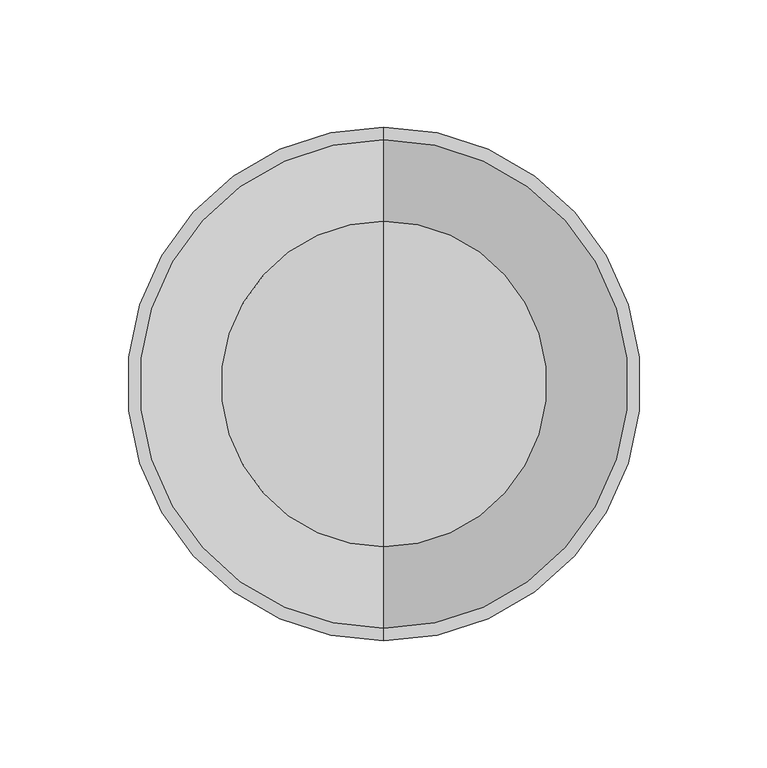
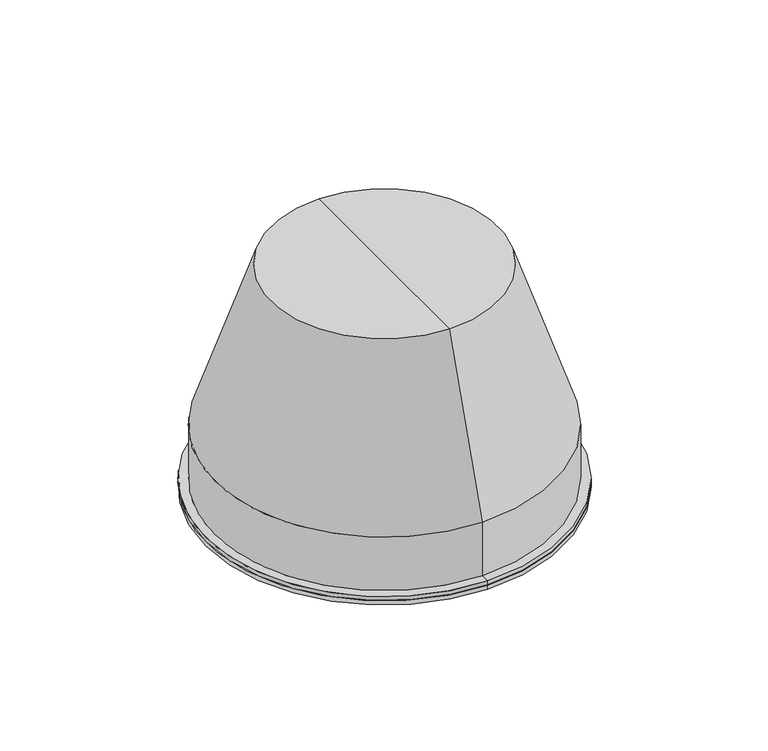
"""IFC4 building model written with IfcOpenShell, lengths in millimetres: light fixture geometry."""

from ifc_helpers import new_model, si_unit, frame, origin, place, context, project, spatial, polyline, circle_curve, source, transform, mapped, element, save
from ifc_brep_helpers import plane_surface, cylinder_surface, revolved_surface, advanced_brep


def light_fixture_1cf63488(model_context):
    return source(origin(), model_context, "Body", "AdvancedBrep", [
        advanced_brep(
        [(0.0, 0.0, -5.0), (0.0, 101.0, -5.0), (0.0, -101.0, -5.0), (0.0, -101.0, -2.5), (0.0, 101.0, -2.5), (0.0, 0.0, -2.5)],
        [
            (0, 1),
            (1, 2, circle_curve(frame((0.0, 0.0, -5.0), z_axis=(0.0, 0.0, -1.0), x_axis=(0.0, 1.0, 0.0)), 101.0)),
            (2, 0),
            (2, 1, circle_curve(frame((0.0, 0.0, -5.0), z_axis=(0.0, 0.0, -1.0), x_axis=(0.0, 1.0, 0.0)), 101.0)),
            (3, 4, circle_curve(frame((0.0, 0.0, -2.5), z_axis=(0.0, 0.0, 1.0), x_axis=(0.0, 1.0, 0.0)), 101.0)),
            (4, 5),
            (5, 3),
            (4, 3, circle_curve(frame((0.0, 0.0, -2.5), z_axis=(0.0, 0.0, 1.0), x_axis=(0.0, 1.0, 0.0)), 101.0)),
            (1, 4),
            (3, 2),
        ],
        [
            plane_surface(frame((0.0, 0.0, -5.0), z_axis=(0.0, 0.0, -1.0), x_axis=(0.0, 1.0, 0.0))),
            plane_surface(frame((0.0, 0.0, -2.5), z_axis=(0.0, 0.0, 1.0), x_axis=(0.0, 1.0, 0.0))),
            cylinder_surface(frame((0.0, 0.0, 577.2817465), z_axis=(0.0, 0.0, -1.0), x_axis=(0.0, 1.0, 0.0)), 101.0),
        ],
        [
            (0, [[1, 2, 3]]),
            (0, [[-3, 4, -1]]),
            (1, [[5, 6, 7]]),
            (1, [[8, -7, -6]]),
            (2, [[-2, 9, -5, 10]]),
            (2, [[-4, -10, -8, -9]]),
        ],
    ),
        advanced_brep(
        [(0.0, 0.0, 128.0), (0.0, -64.0, 128.0), (0.0, 64.0, 128.0), (0.0, 101.0, -2.5), (0.0, -101.0, -2.5), (0.0, -93.5, -2.5), (0.0, 93.5, -2.5), (0.0, 101.0, 0.0), (0.0, -101.0, 0.0), (0.0, 96.0, 0.0), (0.0, -96.0, 0.0), (0.0, 96.0, 32.0), (0.0, -96.0, 32.0), (0.0, 62.0704413, 125.5), (0.0, -62.0704413, 125.5), (0.0, 0.0, 125.5), (0.0, 93.5, 31.6780485), (0.0, -93.5, 31.6780485)],
        [
            (0, 1),
            (1, 2, circle_curve(frame((0.0, 0.0, 128.0), z_axis=(0.0, 0.0, 1.0), x_axis=(0.0, -1.0, 0.0)), 64.0)),
            (2, 0),
            (2, 1, circle_curve(frame((0.0, 0.0, 128.0), z_axis=(0.0, 0.0, 1.0), x_axis=(0.0, -1.0, 0.0)), 64.0)),
            (3, 4, circle_curve(frame((0.0, 0.0, -2.5), z_axis=(0.0, 0.0, -1.0), x_axis=(0.0, -1.0, 0.0)), 101.0)),
            (4, 5),
            (5, 6, circle_curve(frame((0.0, 0.0, -2.5), z_axis=(0.0, 0.0, 1.0), x_axis=(0.0, -1.0, 0.0)), 93.5)),
            (6, 3),
            (4, 3, circle_curve(frame((0.0, 0.0, -2.5), z_axis=(0.0, 0.0, -1.0), x_axis=(0.0, -1.0, 0.0)), 101.0)),
            (6, 5, circle_curve(frame((0.0, 0.0, -2.5), z_axis=(0.0, 0.0, 1.0), x_axis=(0.0, -1.0, 0.0)), 93.5)),
            (7, 8, circle_curve(frame((0.0, 0.0, 0.0), z_axis=(0.0, 0.0, -1.0), x_axis=(0.0, -1.0, 0.0)), 101.0)),
            (8, 4),
            (3, 7),
            (8, 7, circle_curve(frame((0.0, 0.0, 0.0), z_axis=(0.0, 0.0, -1.0), x_axis=(0.0, -1.0, 0.0)), 101.0)),
            (9, 10, circle_curve(frame((0.0, 0.0, 0.0), z_axis=(0.0, 0.0, -1.0), x_axis=(0.0, -1.0, 0.0)), 96.0)),
            (10, 8),
            (7, 9),
            (10, 9, circle_curve(frame((0.0, 0.0, 0.0), z_axis=(0.0, 0.0, -1.0), x_axis=(0.0, -1.0, 0.0)), 96.0)),
            (11, 12, circle_curve(frame((0.0, 0.0, 32.0), z_axis=(0.0, 0.0, -1.0), x_axis=(0.0, -1.0, 0.0)), 96.0)),
            (12, 10),
            (9, 11),
            (12, 11, circle_curve(frame((0.0, 0.0, 32.0), z_axis=(0.0, 0.0, -1.0), x_axis=(0.0, -1.0, 0.0)), 96.0)),
            (1, 12),
            (11, 2),
            (13, 14, circle_curve(frame((0.0, 0.0, 125.5), z_axis=(0.0, 0.0, -1.0), x_axis=(0.0, -1.0, 0.0)), 62.0704413)),
            (14, 15),
            (15, 13),
            (14, 13, circle_curve(frame((0.0, 0.0, 125.5), z_axis=(0.0, 0.0, -1.0), x_axis=(0.0, -1.0, 0.0)), 62.0704413)),
            (16, 17, circle_curve(frame((0.0, 0.0, 31.6780485), z_axis=(0.0, 0.0, -1.0), x_axis=(0.0, -1.0, 0.0)), 93.5)),
            (17, 14),
            (13, 16),
            (17, 16, circle_curve(frame((0.0, 0.0, 31.6780485), z_axis=(0.0, 0.0, -1.0), x_axis=(0.0, -1.0, 0.0)), 93.5)),
            (5, 17),
            (16, 6),
        ],
        [
            plane_surface(frame((0.0, 0.0, 128.0), z_axis=(0.0, 0.0, 1.0), x_axis=(0.0, -1.0, 0.0))),
            plane_surface(frame((0.0, 0.0, -2.5), z_axis=(0.0, 0.0, -1.0), x_axis=(0.0, -1.0, 0.0))),
            cylinder_surface(frame((0.0, 0.0, 499.2817465), z_axis=(0.0, 0.0, 1.0), x_axis=(0.0, -1.0, 0.0)), 101.0),
            plane_surface(frame((0.0, 0.0, 0.0), z_axis=(0.0, 0.0, 1.0), x_axis=(0.0, -1.0, 0.0))),
            cylinder_surface(frame((0.0, 0.0, 499.2817465), z_axis=(0.0, 0.0, 1.0), x_axis=(0.0, -1.0, 0.0)), 96.0),
            revolved_surface(polyline([(0.0, -96.0, 32.0), (0.0, -64.0, 128.0)]), (0.0, 0.0, 499.2817465), (0.0, 0.0, 1.0)),
            plane_surface(frame((0.0, 0.0, 125.5), z_axis=(0.0, 0.0, -1.0), x_axis=(0.0, -1.0, 0.0))),
            revolved_surface(polyline([(0.0, -62.0704413, 125.5), (0.0, -93.5, 31.6780485)]), (0.0, 0.0, 499.2817465), (0.0, 0.0, 1.0)),
            revolved_surface(polyline([(0.0, -93.5, 31.67804849999999), (0.0, -93.5, -2.5)]), (0.0, 0.0, 499.2817465), (0.0, 0.0, 1.0)),
        ],
        [
            (0, [[1, 2, 3]]),
            (0, [[-3, 4, -1]]),
            (1, [[5, 6, 7, 8]]),
            (1, [[9, -8, 10, -6]]),
            (2, [[11, 12, -5, 13]]),
            (2, [[14, -13, -9, -12]]),
            (3, [[15, 16, -11, 17]]),
            (3, [[18, -17, -14, -16]]),
            (4, [[19, 20, -15, 21]]),
            (4, [[22, -21, -18, -20]]),
            (5, [[-2, 23, -19, 24]]),
            (5, [[-4, -24, -22, -23]]),
            (6, [[25, 26, 27]]),
            (6, [[28, -27, -26]]),
            (7, [[29, 30, -25, 31]]),
            (7, [[32, -31, -28, -30]]),
            (8, [[-7, 33, -29, 34]]),
            (8, [[-10, -34, -32, -33]]),
        ],
    ),
    ])


if __name__ == "__main__":
    model = new_model("IFC4")
    model_context = context("Model", 3, world=origin())
    ifc_project = project(units=[si_unit("LENGTHUNIT", "METRE", prefix="MILLI")], contexts=[model_context])
    site = spatial("IfcSite", under=ifc_project)
    building = spatial("IfcBuilding", under=site)
    placement = place(None, origin())
    light_fixture_shape = light_fixture_1cf63488(model_context)
    element("IfcLightFixture", 1, at=placement, inside=building, context=model_context, shape_type="MappedRepresentation", body=[
        mapped(light_fixture_shape, transform((0.0, 0.0, 0.0), x_axis=(1.0, 0.0, 0.0), y_axis=(0.0, 1.0, 0.0), z_axis=(0.0, 0.0, 1.0))),
    ])
    save(model, "model.ifc")
